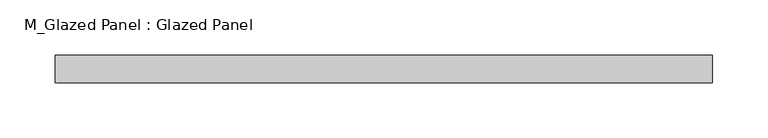
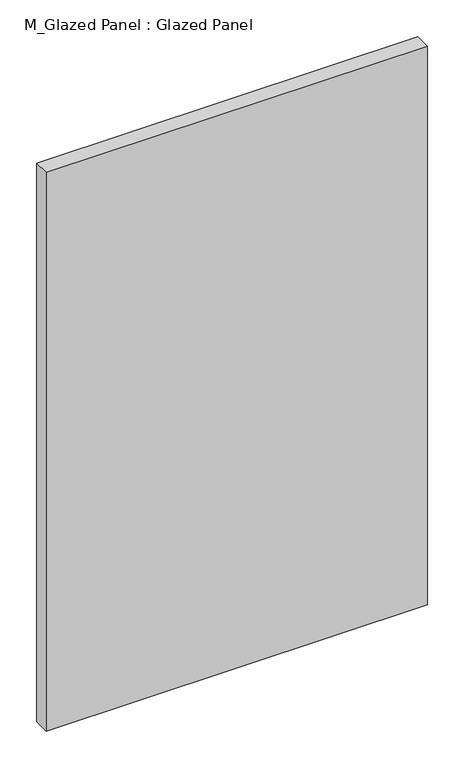
"""IFC4 building model written with IfcOpenShell, lengths in millimetres: plate geometry, M_Glazed Panel : Glazed Panel."""

from ifc_helpers import new_model, si_unit, origin, origin_with_axes, place, context, project, spatial, polyline, outline, extrude, source, transform, mapped, element, save


def m_glazed_panel_glazed_panel_173853eb(model_context):
    return source(origin(), model_context, "Body", "SweptSolid", [
        extrude(outline(polyline([(298.6704866, -38.5), (298.6704866, -63.5), (-298.6704866, -63.5), (-298.6704866, -38.5), (298.6704866, -38.5)])), origin_with_axes(), (0.0, 0.0, 1.0), 925.0),
    ])


if __name__ == "__main__":
    model = new_model("IFC4")
    model_context = context("Model", 3, world=origin())
    ifc_project = project(units=[si_unit("LENGTHUNIT", "METRE", prefix="MILLI")], contexts=[model_context])
    site = spatial("IfcSite", under=ifc_project)
    building = spatial("IfcBuilding", under=site)
    placement = place(None, origin())
    m_glazed_panel_glazed_panel_shape = m_glazed_panel_glazed_panel_173853eb(model_context)
    element("IfcPlate", 1, ObjectType="M_Glazed Panel : Glazed Panel", at=placement, inside=building, context=model_context, shape_type="MappedRepresentation", body=[
        mapped(m_glazed_panel_glazed_panel_shape, transform((0.0, 0.0, 0.0), x_axis=(1.0, 0.0, 0.0), y_axis=(0.0, 1.0, 0.0), z_axis=(0.0, 0.0, 1.0))),
    ])
    save(model, "model.ifc")
